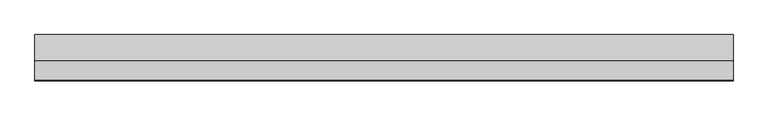
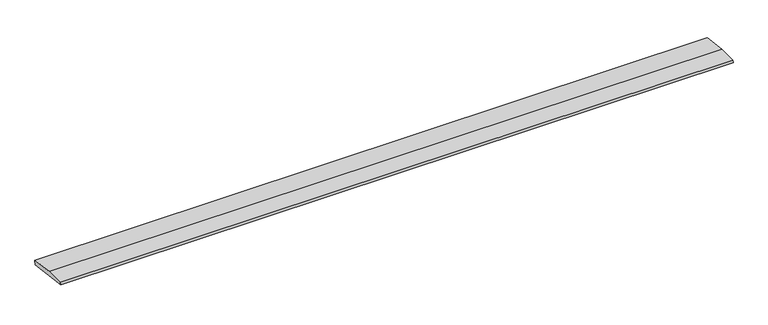
"""IFC4 building model written with IfcOpenShell, lengths in millimetres: beam geometry."""

from ifc_helpers import new_model, si_unit, frame, origin, place, context, project, spatial, polyline, outline, extrude, source, transform, mapped, element, save


def beam_f72c105a(model_context):
    return source(origin(), model_context, "Body", "SweptSolid", [
        extrude(outline(polyline([(0.0, -9.143159), (1.1226388, 0.0), (79.0749747, 0.0), (180.9387048, -12.5072934), (178.6231873, -31.3656703), (0.0, -9.143159)])), frame((-1367.7247735, 0.0, 0.0), z_axis=(1.0, 0.0, 0.0), x_axis=(0.0, 1.0, 0.0)), (0.0, 0.0, 1.0), 2735.4495469),
    ])


if __name__ == "__main__":
    model = new_model("IFC4")
    model_context = context("Model", 3, world=origin())
    ifc_project = project(units=[si_unit("LENGTHUNIT", "METRE", prefix="MILLI")], contexts=[model_context])
    site = spatial("IfcSite", under=ifc_project)
    building = spatial("IfcBuilding", under=site)
    placement = place(None, origin())
    beam_shape = beam_f72c105a(model_context)
    element("IfcBeam", 1, at=placement, inside=building, context=model_context, shape_type="MappedRepresentation", body=[
        mapped(beam_shape, transform((0.0, 0.0, 0.0), x_axis=(1.0, 0.0, 0.0), y_axis=(0.0, 1.0, 0.0), z_axis=(0.0, 0.0, 1.0))),
    ])
    save(model, "model.ifc")
